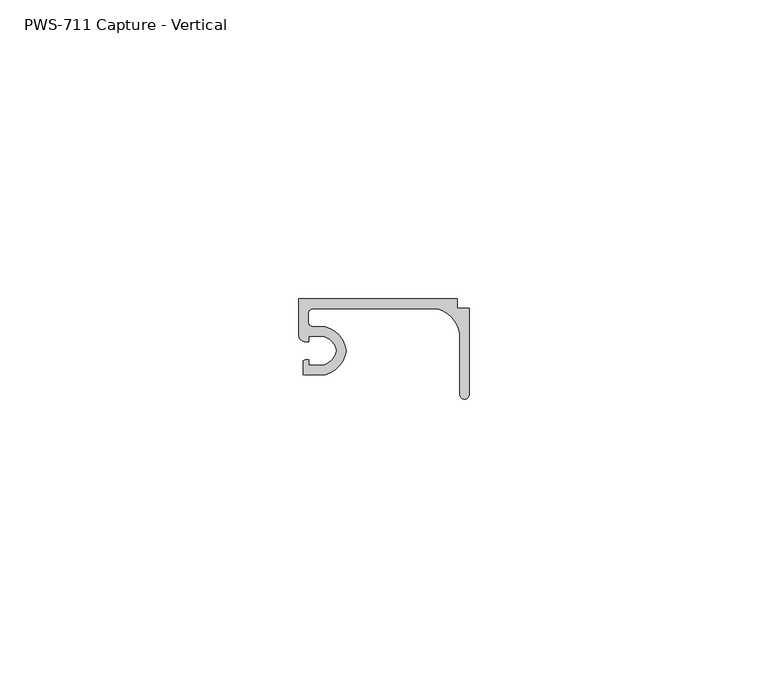
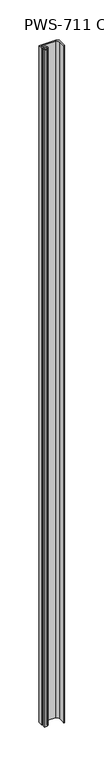
"""IFC4 building model written with IfcOpenShell, lengths in millimetres: proxy geometry, PWS-711 Capture - Vertical."""

from ifc_helpers import new_model, si_unit, point, frame_2d, origin, origin_with_axes, place, context, project, spatial, polyline, circle_curve, trimmed, segment, composite_curve, outline, extrude, source, transform, mapped, element, save


def pws_711_capture_vertical_1a7cbeb0(model_context):
    return source(origin(), model_context, "Body", "SweptSolid", [
        extrude(outline(composite_curve([segment(trimmed(circle_curve(frame_2d((3.2089841, 41.4694327)), 3.2037832), [point((6.35, 42.1005))], [point((4.207924, 44.5135))], True, "CARTESIAN"), True, "CONTINUOUS"), segment(polyline([(4.207924, 44.5135), (1.6997088, 44.5135), (1.6997088, 43.6245), (0.9083659, 43.6245)]), True, "CONTINUOUS"), segment(trimmed(circle_curve(frame_2d((1.1429206, 44.7430936)), 1.1429206), [point((0.9083659, 43.6245))], [point((0.0, 44.7430936))], False, "CARTESIAN"), True, "CONTINUOUS"), segment(polyline([(0.0, 44.7430936), (0.0, 50.8), (26.543, 50.8), (26.543, 49.2125), (28.575, 49.2125), (28.575, 34.76625)]), True, "CONTINUOUS"), segment(trimmed(circle_curve(frame_2d((27.78125, 34.76625)), 0.79375), [point((28.575, 34.76625))], [point((26.9875, 34.76625))], False, "CARTESIAN"), True, "CONTINUOUS"), segment(polyline([(26.9875, 34.76625), (26.9875, 44.9619826)]), True, "CONTINUOUS"), segment(trimmed(circle_curve(frame_2d((21.7797652, 44.0047652)), 5.2949756), [point((26.9875, 44.9619826))], [point((23.2016903, 49.1052452))], True, "CARTESIAN"), True, "CONTINUOUS"), segment(polyline([(23.2016903, 49.1052452), (2.38252, 49.1052452)]), True, "CONTINUOUS"), segment(trimmed(circle_curve(frame_2d((2.38252, 48.3102252)), 0.79502), [point((2.38252, 49.1052452))], [point((1.5875, 48.3102252))], True, "CARTESIAN"), True, "CONTINUOUS"), segment(polyline([(1.5875, 48.3102252), (1.5875, 46.89602)]), True, "CONTINUOUS"), segment(trimmed(circle_curve(frame_2d((2.38252, 46.89602)), 0.79502), [point((1.5875, 46.89602))], [point((2.38252, 46.101))], True, "CARTESIAN"), True, "CONTINUOUS"), segment(polyline([(2.38252, 46.101), (4.4357599, 46.101)]), True, "CONTINUOUS"), segment(trimmed(circle_curve(frame_2d((3.2089841, 41.4694327)), 4.7912832), [point((4.4357599, 46.101))], [point((7.9585261, 42.1005))], False, "CARTESIAN"), True, "CONTINUOUS"), segment(trimmed(circle_curve(frame_2d((3.2089841, 42.7315673)), 4.7912832), [point((7.9585261, 42.1005))], [point((4.4357599, 38.1))], False, "CARTESIAN"), True, "CONTINUOUS"), segment(polyline([(4.4357599, 38.1), (0.762, 38.1), (0.762, 40.4372806)]), True, "CONTINUOUS"), segment(trimmed(circle_curve(frame_2d((1.3351034, 39.4755121)), 1.1195742), [point((0.762, 40.4372806))], [point((1.6997088, 40.5340531))], False, "CARTESIAN"), True, "CONTINUOUS"), segment(polyline([(1.6997088, 40.5340531), (1.6997088, 39.6875), (4.207924, 39.6875)]), True, "CONTINUOUS"), segment(trimmed(circle_curve(frame_2d((3.2089841, 42.7315673)), 3.2037832), [point((4.207924, 39.6875))], [point((6.35, 42.1005))], True, "CARTESIAN"), True, "CONTINUOUS")], self_intersect=False)), origin_with_axes(), (0.0, 0.0, 1.0), 1053.6039062),
    ])


if __name__ == "__main__":
    model = new_model("IFC4")
    model_context = context("Model", 3, world=origin())
    ifc_project = project(units=[si_unit("LENGTHUNIT", "METRE", prefix="MILLI")], contexts=[model_context])
    site = spatial("IfcSite", under=ifc_project)
    building = spatial("IfcBuilding", under=site)
    placement = place(None, origin())
    pws_711_capture_vertical_shape = pws_711_capture_vertical_1a7cbeb0(model_context)
    element("IfcBuildingElementProxy", 1, Name="PWS-711 Capture - Vertical", ObjectType="PWS-711 Capture - Vertical", at=placement, inside=building, context=model_context, shape_type="MappedRepresentation", body=[
        mapped(pws_711_capture_vertical_shape, transform((0.0, 0.0, 0.0), x_axis=(1.0, 0.0, 0.0), y_axis=(0.0, 1.0, 0.0), z_axis=(0.0, 0.0, 1.0))),
    ])
    save(model, "model.ifc")
